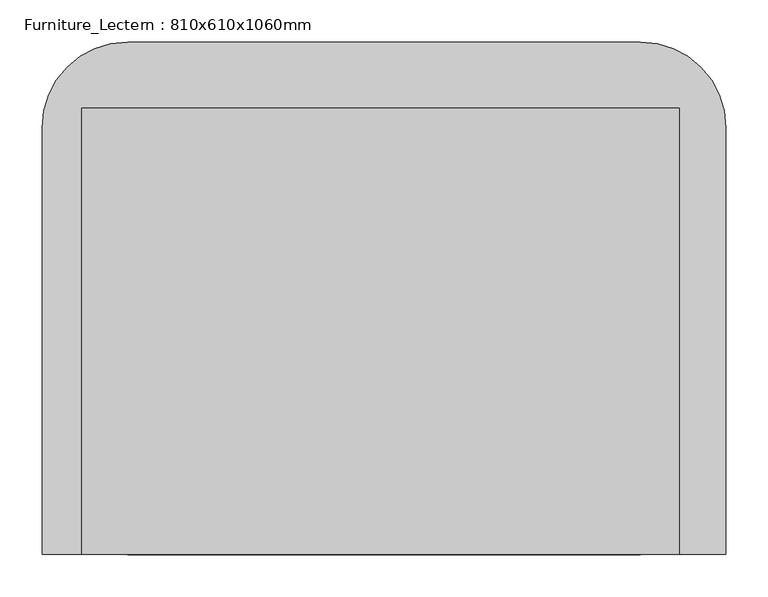
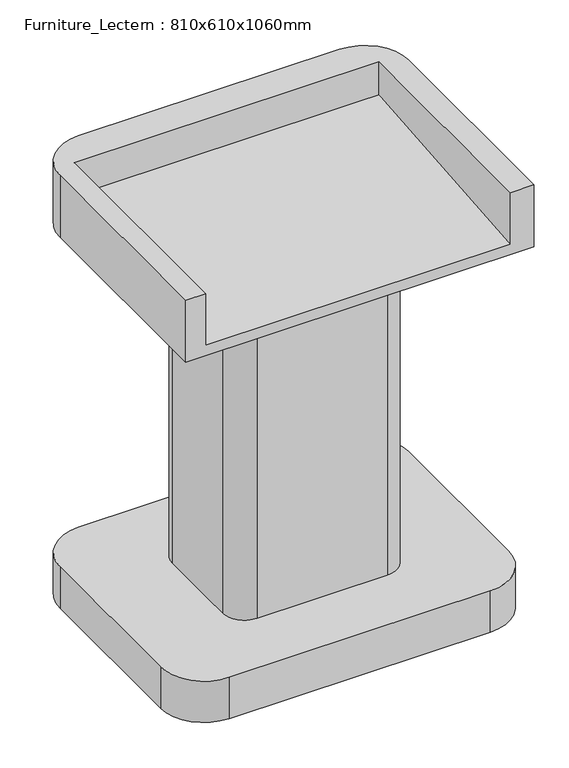
"""IFC4 building model written with IfcOpenShell, lengths in millimetres: furniture geometry, Furniture_Lectern : 810x610x1060mm."""

from ifc_helpers import new_model, si_unit, point, frame, frame_2d, origin, origin_with_axes, place, context, project, spatial, polyline, circle_curve, trimmed, segment, composite_curve, outline, extrude, source, transform, mapped, element, save
from ifc_brep_helpers import plane_surface, cylinder_surface, advanced_brep


def furniture_lectern_810x610x1060mm_5dfe0e26(model_context):
    return source(origin(), model_context, "Body", "SolidModel", [
        advanced_brep(
        [(304.8, 304.8, 1066.8), (-304.8, 304.8, 1066.8), (-406.4, 203.2, 1066.8), (-406.4, -304.8, 1066.8), (-359.884556, -304.8, 1066.8), (-359.884556, 226.570252, 1066.8), (351.315444, 226.570252, 1066.8), (351.315444, -304.8, 1066.8), (406.4, -304.8, 1066.8), (406.4, 203.2, 1066.8), (304.8, 304.8, 914.4), (406.4, 203.2, 914.4), (406.4, -304.8, 914.4), (-406.4, -304.8, 914.4), (-406.4, 203.2, 914.4), (-304.8, 304.8, 914.4), (351.315444, -304.8, 939.8), (-359.884556, -304.8, 939.8), (351.315444, 226.570252, 986.2888732), (-359.884556, 226.570252, 986.2888732)],
        [
            (0, 1),
            (1, 2, circle_curve(frame((-304.8, 203.2, 1066.8), z_axis=(0.0, 0.0, 1.0), x_axis=(1.0, 0.0, 0.0)), 101.6)),
            (2, 3),
            (3, 4),
            (4, 5),
            (5, 6),
            (6, 7),
            (7, 8),
            (8, 9),
            (9, 0, circle_curve(frame((304.8, 203.2, 1066.8), z_axis=(0.0, 0.0, 1.0), x_axis=(1.0, 0.0, 0.0)), 101.6)),
            (10, 11, circle_curve(frame((304.8, 203.2, 914.4), z_axis=(0.0, 0.0, -1.0), x_axis=(1.0, 0.0, 0.0)), 101.6)),
            (11, 12),
            (12, 13),
            (13, 14),
            (14, 15, circle_curve(frame((-304.8, 203.2, 914.4), z_axis=(0.0, 0.0, -1.0), x_axis=(1.0, 0.0, 0.0)), 101.6)),
            (15, 10),
            (0, 10),
            (15, 1),
            (14, 2),
            (13, 3),
            (12, 8),
            (7, 16),
            (16, 17),
            (17, 4),
            (11, 9),
            (18, 16),
            (6, 18),
            (17, 19),
            (19, 5),
            (19, 18),
        ],
        [
            plane_surface(frame((-304.8, 304.8, 1066.8), z_axis=(0.0, 0.0, 1.0), x_axis=(-1.0, 0.0, 0.0))),
            plane_surface(frame((-304.8, 304.8, 914.4), z_axis=(0.0, 0.0, -1.0), x_axis=(1.0, 0.0, 0.0))),
            plane_surface(frame((304.8, 304.8, 1066.8), z_axis=(0.0, 1.0, 0.0), x_axis=(0.0, 0.0, -1.0))),
            cylinder_surface(frame((-304.8, 203.2, 914.4), z_axis=(0.0, 0.0, 1.0), x_axis=(1.0, 0.0, 0.0)), 101.6),
            plane_surface(frame((-406.4, 203.2, 1066.8), z_axis=(-1.0, 0.0, 0.0), x_axis=(0.0, 0.0, -1.0))),
            plane_surface(frame((-406.4, -304.8, 1066.8), z_axis=(0.0, -1.0, 0.0), x_axis=(0.0, 0.0, -1.0))),
            plane_surface(frame((406.4, -304.8, 1066.8), z_axis=(1.0, 0.0, 0.0), x_axis=(0.0, 0.0, -1.0))),
            cylinder_surface(frame((304.8, 203.2, 914.4), z_axis=(0.0, 0.0, 1.0), x_axis=(1.0, 0.0, 0.0)), 101.6),
            plane_surface(frame((351.315444, 226.570252, 986.2888732), z_axis=(-1.0, 0.0, 0.0), x_axis=(0.0, 0.0, 1.0))),
            plane_surface(frame((-359.884556, 226.570252, 986.2888732), z_axis=(1.0, 0.0, 0.0), x_axis=(0.0, 0.0, -1.0))),
            plane_surface(frame((351.315444, 226.570252, 986.2888732), z_axis=(0.0, -1.0, 0.0), x_axis=(-1.0, 0.0, 0.0))),
            plane_surface(frame((351.315444, -304.8, 939.8), z_axis=(0.0, -0.08715574274765814, 0.9961946980917455), x_axis=(-1.0, 0.0, 0.0))),
        ],
        [
            (0, [[1, 2, 3, 4, 5, 6, 7, 8, 9, 10]]),
            (1, [[11, 12, 13, 14, 15, 16]]),
            (2, [[-1, 17, -16, 18]]),
            (3, [[-2, -18, -15, 19]]),
            (4, [[-3, -19, -14, 20]]),
            (5, [[-13, 21, -8, 22, 23, 24, -4, -20]]),
            (6, [[-9, -21, -12, 25]]),
            (7, [[-10, -25, -11, -17]]),
            (8, [[26, -22, -7, 27]]),
            (9, [[28, 29, -5, -24]]),
            (10, [[30, -27, -6, -29]]),
            (11, [[-26, -30, -28, -23]]),
        ],
    ),
        extrude(outline(composite_curve([segment(trimmed(circle_curve(frame_2d((152.4, 101.6)), 50.8), [point((152.4, 152.4))], [point((203.2, 101.6))], False, "CARTESIAN"), True, "CONTINUOUS"), segment(polyline([(203.2, 101.6), (203.2, -101.6)]), True, "CONTINUOUS"), segment(trimmed(circle_curve(frame_2d((152.4, -101.6)), 50.8), [point((203.2, -101.6))], [point((152.4, -152.4))], False, "CARTESIAN"), True, "CONTINUOUS"), segment(polyline([(152.4, -152.4), (-152.4, -152.4)]), True, "CONTINUOUS"), segment(trimmed(circle_curve(frame_2d((-152.4, -101.6)), 50.8), [point((-152.4, -152.4))], [point((-203.2, -101.6))], False, "CARTESIAN"), True, "CONTINUOUS"), segment(polyline([(-203.2, -101.6), (-203.2, 101.6)]), True, "CONTINUOUS"), segment(trimmed(circle_curve(frame_2d((-152.4, 101.6)), 50.8), [point((-203.2, 101.6))], [point((-152.4, 152.4))], False, "CARTESIAN"), True, "CONTINUOUS"), segment(polyline([(-152.4, 152.4), (152.4, 152.4)]), True, "CONTINUOUS")], self_intersect=False)), frame((0.0, 0.0, 101.6), z_axis=(0.0, 0.0, 1.0), x_axis=(1.0, 0.0, 0.0)), (0.0, 0.0, 1.0), 812.8),
        extrude(outline(composite_curve([segment(polyline([(304.8, -304.8), (-304.8, -304.8)]), True, "CONTINUOUS"), segment(trimmed(circle_curve(frame_2d((-304.8, -203.2)), 101.6), [point((-304.8, -304.8))], [point((-406.4, -203.2))], False, "CARTESIAN"), True, "CONTINUOUS"), segment(polyline([(-406.4, -203.2), (-406.4, 203.2)]), True, "CONTINUOUS"), segment(trimmed(circle_curve(frame_2d((-304.8, 203.2)), 101.6), [point((-406.4, 203.2))], [point((-304.8, 304.8))], False, "CARTESIAN"), True, "CONTINUOUS"), segment(polyline([(-304.8, 304.8), (304.8, 304.8)]), True, "CONTINUOUS"), segment(trimmed(circle_curve(frame_2d((304.8, 203.2)), 101.6), [point((304.8, 304.8))], [point((406.4, 203.2))], False, "CARTESIAN"), True, "CONTINUOUS"), segment(polyline([(406.4, 203.2), (406.4, -203.2)]), True, "CONTINUOUS"), segment(trimmed(circle_curve(frame_2d((304.8, -203.2)), 101.6), [point((406.4, -203.2))], [point((304.8, -304.8))], False, "CARTESIAN"), True, "CONTINUOUS")], self_intersect=False)), origin_with_axes(), (0.0, 0.0, 1.0), 101.6),
    ])


if __name__ == "__main__":
    model = new_model("IFC4")
    model_context = context("Model", 3, world=origin())
    ifc_project = project(units=[si_unit("LENGTHUNIT", "METRE", prefix="MILLI")], contexts=[model_context])
    site = spatial("IfcSite", under=ifc_project)
    building = spatial("IfcBuilding", under=site)
    placement = place(None, origin())
    furniture_lectern_810x610x1060mm_shape = furniture_lectern_810x610x1060mm_5dfe0e26(model_context)
    element("IfcFurniture", 1, ObjectType="Furniture_Lectern : 810x610x1060mm", at=placement, inside=building, context=model_context, shape_type="MappedRepresentation", body=[
        mapped(furniture_lectern_810x610x1060mm_shape, transform((0.0, 0.0, 0.0), x_axis=(1.0, 0.0, 0.0), y_axis=(0.0, 1.0, 0.0), z_axis=(0.0, 0.0, 1.0))),
    ])
    save(model, "model.ifc")
